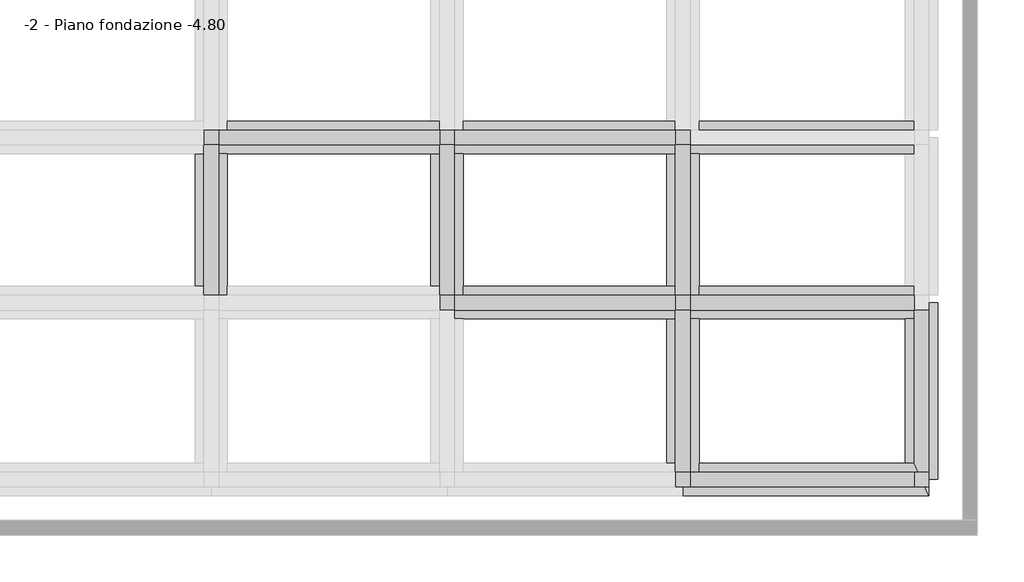
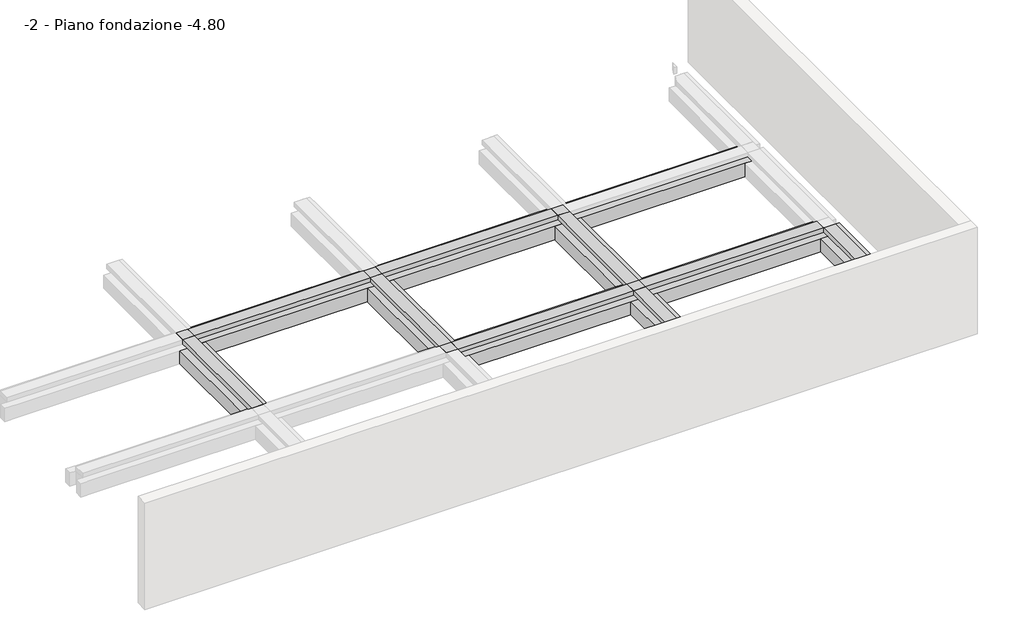
# One storey, part 2 of 3: 21 beams, 7 columns.
"""IFC4 building model written with IfcOpenShell, lengths in millimetres."""

from ifc_helpers import new_model, si_unit, frame, origin, place, context, project, spatial, polyline, outline, extrude, faceted_brep, element, save

model = new_model("IFC4")

# Units and contexts
model_context = context("Model", 3, world=origin())
ifc_project = project(units=[si_unit("LENGTHUNIT", "METRE", prefix="MILLI")], contexts=[model_context])

# Site, building, storey
site = spatial("IfcSite", under=ifc_project)
building = spatial("IfcBuilding", under=site)
storey = spatial("IfcBuildingStorey", under=building, Name="-2 - Piano fondazione -4.80", Elevation=-4800.0)

# Beams
placement = place(None, origin())
element("IfcBeam", 1, ObjectType="3M - Trave in cls - Rettangolare : 3M 1100 x600mm 2", at=placement, inside=storey, context=model_context, shape_type="Brep", body=[
    faceted_brep([(-12706.7371142, -959.905716, -4100.0), (-12156.7371142, -959.905716, -4100.0), (-5256.7371142, -959.905716, -4100.0), (-4706.7371142, -959.905716, -4100.0), (-4706.7371142, -659.905716, -4100.0), (-4956.7371142, -659.905716, -4100.0), (-4956.7371142, -159.905716, -4100.0), (-4706.7371142, -159.905716, -4100.0), (-4706.7371142, 140.094284, -4100.0), (-5256.7371142, 140.094284, -4100.0), (-12156.7371142, 140.094284, -4100.0), (-12156.7371142, -409.905716, -4100.0), (-12456.7371142, -409.905716, -4100.0), (-12456.7371142, -659.905716, -4100.0), (-12706.7371142, -659.905716, -4100.0), (-12706.7371142, -959.905716, -4700.0), (-12156.7371142, -959.905716, -4700.0), (-5256.7371142, -959.905716, -4700.0), (-4706.7371142, -959.905716, -4700.0), (-12706.7371142, -659.905716, -4700.0), (-12456.7371142, -659.905716, -4700.0), (-12456.7371142, -409.905716, -4700.0), (-12156.7371142, -409.905716, -4700.0), (-12156.7371142, 140.094284, -4700.0), (-5256.7371142, 140.094284, -4700.0), (-4706.7371142, 140.094284, -4700.0), (-4706.7371142, -159.905716, -4700.0), (-4956.7371142, -159.905716, -4700.0), (-4956.7371142, -659.905716, -4700.0), (-4706.7371142, -659.905716, -4700.0)], [[[0, 1, 2, 3, 4, 5, 6, 7, 8, 9, 10, 11, 12, 13, 14]], [[3, 2, 1, 0, 15, 16, 17, 18]], [[18, 17, 16, 15, 19, 20, 21, 22, 23, 24, 25, 26, 27, 28, 29]], [[8, 25, 24, 23, 10, 9]], [[22, 11, 10, 23]], [[28, 5, 4, 29]], [[5, 28, 27, 6]], [[6, 27, 26, 7]], [[15, 0, 14, 19]], [[3, 18, 29, 4]], [[11, 22, 21, 12]], [[25, 8, 7, 26]], [[20, 13, 12, 21]], [[13, 20, 19, 14]]]),
])
element("IfcBeam", 2, ObjectType="3M - Trave in cls - Rettangolare : 3M 1100 x600mm 2", at=placement, inside=storey, context=model_context, shape_type="Brep", body=[
    faceted_brep([(-4706.7371142, -959.905716, -4100.0), (-4156.7371142, -959.905716, -4100.0), (2743.2628858, -959.905716, -4100.0), (3293.2628858, -959.905716, -4100.0), (3293.2628858, -659.905716, -4100.0), (3043.2628858, -659.905716, -4100.0), (3043.2628858, -159.905716, -4100.0), (3293.2628858, -159.905716, -4100.0), (3293.2628858, 140.094284, -4100.0), (2743.2628858, 140.094284, -4100.0), (-4156.7371142, 140.094284, -4100.0), (-4156.7371142, -409.905716, -4100.0), (-4456.7371142, -409.905716, -4100.0), (-4456.7371142, -659.905716, -4100.0), (-4706.7371142, -659.905716, -4100.0), (-4706.7371142, -959.905716, -4700.0), (-4156.7371142, -959.905716, -4700.0), (2743.2628858, -959.905716, -4700.0), (3293.2628858, -959.905716, -4700.0), (-4706.7371142, -659.905716, -4700.0), (-4456.7371142, -659.905716, -4700.0), (-4456.7371142, -409.905716, -4700.0), (-4156.7371142, -409.905716, -4700.0), (-4156.7371142, 140.094284, -4700.0), (2743.2628858, 140.094284, -4700.0), (3293.2628858, 140.094284, -4700.0), (3293.2628858, -159.905716, -4700.0), (3043.2628858, -159.905716, -4700.0), (3043.2628858, -659.905716, -4700.0), (3293.2628858, -659.905716, -4700.0)], [[[0, 1, 2, 3, 4, 5, 6, 7, 8, 9, 10, 11, 12, 13, 14]], [[3, 2, 1, 0, 15, 16, 17, 18]], [[18, 17, 16, 15, 19, 20, 21, 22, 23, 24, 25, 26, 27, 28, 29]], [[8, 25, 24, 23, 10, 9]], [[22, 11, 10, 23]], [[28, 5, 4, 29]], [[5, 28, 27, 6]], [[6, 27, 26, 7]], [[15, 0, 14, 19]], [[3, 18, 29, 4]], [[11, 22, 21, 12]], [[25, 8, 7, 26]], [[20, 13, 12, 21]], [[13, 20, 19, 14]]]),
])
element("IfcBeam", 3, ObjectType="3M - Trave in cls - Rettangolare : 3M 1100 x600mm 2", at=placement, inside=storey, context=model_context, shape_type="Brep", body=[
    faceted_brep([(3293.2628858, -959.905716, -4100.0), (3843.2628858, -959.905716, -4100.0), (10843.2628858, -959.905716, -4100.0), (11393.2628858, -959.905716, -4100.0), (11393.2628858, -659.905716, -4100.0), (11143.2628858, -659.905716, -4100.0), (11143.2628858, -159.905716, -4100.0), (11393.2628858, -159.905716, -4100.0), (11393.2628858, -147.205716, -4100.0), (11393.2628858, 140.094284, -4100.0), (10843.2628858, 140.094284, -4100.0), (3843.2628858, 140.094284, -4100.0), (3843.2628858, -409.905716, -4100.0), (3543.2628858, -409.905716, -4100.0), (3543.2628858, -659.905716, -4100.0), (3293.2628858, -659.905716, -4100.0), (3293.2628858, -959.905716, -4700.0), (3843.2628858, -959.905716, -4700.0), (10843.2628858, -959.905716, -4700.0), (11393.2628858, -959.905716, -4700.0), (3293.2628858, -659.905716, -4700.0), (3543.2628858, -659.905716, -4700.0), (3543.2628858, -409.905716, -4700.0), (3843.2628858, -409.905716, -4700.0), (3843.2628858, 140.094284, -4700.0), (10843.2628858, 140.094284, -4700.0), (11393.2628858, 140.094284, -4700.0), (11393.2628858, -147.205716, -4700.0), (11393.2628858, -159.905716, -4700.0), (11143.2628858, -159.905716, -4700.0), (11143.2628858, -659.905716, -4700.0), (11393.2628858, -659.905716, -4700.0), (11393.2628858, -159.905716, -4200.0)], [[[0, 1, 2, 3, 4, 5, 6, 7, 8, 9, 10, 11, 12, 13, 14, 15]], [[3, 2, 1, 0, 16, 17, 18, 19]], [[19, 18, 17, 16, 20, 21, 22, 23, 24, 25, 26, 27, 28, 29, 30, 31]], [[9, 26, 25, 24, 11, 10]], [[23, 12, 11, 24]], [[30, 5, 4, 31]], [[5, 30, 29, 6]], [[6, 29, 28, 32, 7]], [[16, 0, 15, 20]], [[26, 9, 8, 7, 32, 28, 27]], [[12, 23, 22, 13]], [[3, 19, 31, 4]], [[21, 14, 13, 22]], [[14, 21, 20, 15]]]),
])
element("IfcBeam", 4, ObjectType="3M - Trave in cls - Rettangolare : 3M 1100 x600mm 2", at=placement, inside=storey, context=model_context, shape_type="Brep", body=[
    faceted_brep([(-4706.7371142, -6559.905716, -4100.0), (-4156.7371142, -6559.905716, -4100.0), (2743.2628858, -6559.905716, -4100.0), (3293.2628858, -6559.905716, -4100.0), (3293.2628858, -6259.905716, -4100.0), (3043.2628858, -6259.905716, -4100.0), (3043.2628858, -5759.905716, -4100.0), (3293.2628858, -5759.905716, -4100.0), (3293.2628858, -5459.905716, -4100.0), (2743.2628858, -5459.905716, -4100.0), (-4156.7371142, -5459.905716, -4100.0), (-4156.7371142, -6009.905716, -4100.0), (-4456.7371142, -6009.905716, -4100.0), (-4456.7371142, -6259.905716, -4100.0), (-4706.7371142, -6259.905716, -4100.0), (-4706.7371142, -6559.905716, -4700.0), (-4156.7371142, -6559.905716, -4700.0), (2743.2628858, -6559.905716, -4700.0), (3293.2628858, -6559.905716, -4700.0), (-4706.7371142, -6259.905716, -4700.0), (-4456.7371142, -6259.905716, -4700.0), (-4456.7371142, -6009.905716, -4700.0), (-4156.7371142, -6009.905716, -4700.0), (-4156.7371142, -5459.905716, -4700.0), (2743.2628858, -5459.905716, -4700.0), (3293.2628858, -5459.905716, -4700.0), (3293.2628858, -5759.905716, -4700.0), (3043.2628858, -5759.905716, -4700.0), (3043.2628858, -6259.905716, -4700.0), (3293.2628858, -6259.905716, -4700.0)], [[[0, 1, 2, 3, 4, 5, 6, 7, 8, 9, 10, 11, 12, 13, 14]], [[3, 2, 1, 0, 15, 16, 17, 18]], [[18, 17, 16, 15, 19, 20, 21, 22, 23, 24, 25, 26, 27, 28, 29]], [[8, 25, 24, 23, 10, 9]], [[28, 5, 4, 29]], [[5, 28, 27, 6]], [[6, 27, 26, 7]], [[22, 11, 10, 23]], [[15, 0, 14, 19]], [[3, 18, 29, 4]], [[25, 8, 7, 26]], [[11, 22, 21, 12]], [[20, 13, 12, 21]], [[13, 20, 19, 14]]]),
])
element("IfcBeam", 5, ObjectType="3M - Trave in cls - Rettangolare : 3M 1100 x600mm 2", at=placement, inside=storey, context=model_context, shape_type="Brep", body=[
    faceted_brep([(3293.2628858, -6559.905716, -4100.0), (3843.2628858, -6559.905716, -4100.0), (10843.2628858, -6559.905716, -4100.0), (11393.2628858, -6559.905716, -4100.0), (11393.2628858, -6259.905716, -4100.0), (11143.2628858, -6259.905716, -4100.0), (11143.2628858, -5759.905716, -4100.0), (11393.2628858, -5759.905716, -4100.0), (11393.2628858, -5747.205716, -4100.0), (11393.2628858, -5459.905716, -4100.0), (10843.2628858, -5459.905716, -4100.0), (3843.2628858, -5459.905716, -4100.0), (3843.2628858, -6009.905716, -4100.0), (3543.2628858, -6009.905716, -4100.0), (3543.2628858, -6259.905716, -4100.0), (3293.2628858, -6259.905716, -4100.0), (3293.2628858, -6559.905716, -4700.0), (3843.2628858, -6559.905716, -4700.0), (10843.2628858, -6559.905716, -4700.0), (11393.2628858, -6559.905716, -4700.0), (3293.2628858, -6259.905716, -4700.0), (3543.2628858, -6259.905716, -4700.0), (3543.2628858, -6009.905716, -4700.0), (3843.2628858, -6009.905716, -4700.0), (3843.2628858, -5459.905716, -4700.0), (10843.2628858, -5459.905716, -4700.0), (11393.2628858, -5459.905716, -4700.0), (11393.2628858, -5747.205716, -4700.0), (11393.2628858, -5759.905716, -4700.0), (11143.2628858, -5759.905716, -4700.0), (11143.2628858, -6259.905716, -4700.0), (11393.2628858, -6259.905716, -4700.0), (11393.2628858, -5759.905716, -4200.0)], [[[0, 1, 2, 3, 4, 5, 6, 7, 8, 9, 10, 11, 12, 13, 14, 15]], [[3, 2, 1, 0, 16, 17, 18, 19]], [[19, 18, 17, 16, 20, 21, 22, 23, 24, 25, 26, 27, 28, 29, 30, 31]], [[9, 26, 25, 24, 11, 10]], [[23, 12, 11, 24]], [[30, 5, 4, 31]], [[5, 30, 29, 6]], [[6, 29, 28, 32, 7]], [[16, 0, 15, 20]], [[26, 9, 8, 7, 32, 28, 27]], [[12, 23, 22, 13]], [[3, 19, 31, 4]], [[21, 14, 13, 22]], [[14, 21, 20, 15]]]),
])
element("IfcBeam", 6, ObjectType="3M - Trave in cls - Rettangolare : 3M 1100 x600mm 2", at=placement, inside=storey, context=model_context, shape_type="Brep", body=[
    faceted_brep([(3293.2628858, -12559.905716, -4100.0), (11643.2628858, -12559.905716, -4100.0), (11506.8992495, -12259.905716, -4100.0), (11143.2628858, -12259.905716, -4100.0), (11143.2628858, -11759.905716, -4100.0), (11279.6265222, -11759.905716, -4100.0), (11143.2628858, -11459.905716, -4100.0), (10843.2628858, -11459.905716, -4100.0), (3843.2628858, -11459.905716, -4100.0), (3843.2628858, -12009.905716, -4100.0), (3543.2628858, -12009.905716, -4100.0), (3543.2628858, -12259.905716, -4100.0), (3293.2628858, -12259.905716, -4100.0), (3293.2628858, -12559.905716, -4700.0), (11643.2628858, -12559.905716, -4700.0), (3293.2628858, -12259.905716, -4700.0), (3543.2628858, -12259.905716, -4700.0), (3543.2628858, -12009.905716, -4700.0), (3843.2628858, -12009.905716, -4700.0), (3843.2628858, -11459.905716, -4700.0), (10843.2628858, -11459.905716, -4700.0), (11143.2628858, -11459.905716, -4700.0), (11279.6265222, -11759.905716, -4700.0), (11143.2628858, -11759.905716, -4700.0), (11143.2628858, -12259.905716, -4700.0), (11506.8992495, -12259.905716, -4700.0), (11506.8992495, -12259.905716, -4200.0)], [[[0, 1, 2, 3, 4, 5, 6, 7, 8, 9, 10, 11, 12]], [[1, 0, 13, 14]], [[14, 13, 15, 16, 17, 18, 19, 20, 21, 22, 23, 24, 25]], [[6, 21, 20, 19, 8, 7]], [[18, 9, 8, 19]], [[24, 3, 2, 26, 25]], [[3, 24, 23, 4]], [[4, 23, 22, 5]], [[13, 0, 12, 15]], [[21, 6, 5, 22]], [[9, 18, 17, 10]], [[1, 14, 25, 26, 2]], [[16, 11, 10, 17]], [[11, 16, 15, 12]]]),
])
element("IfcBeam", 7, ObjectType="3M - Trave in cls - Rettangolare : 3M 1100 x600mm 2", at=placement, inside=storey, context=model_context, shape_type="Brep", body=[
    faceted_brep([(-12156.7371142, -6009.905716, -4100.0), (-12156.7371142, -5459.905716, -4100.0), (-12156.7371142, -959.905716, -4100.0), (-12706.7371142, -959.905716, -4100.0), (-13256.7371142, -959.905716, -4100.0), (-13256.7371142, -5459.905716, -4100.0), (-12706.7371142, -5459.905716, -4100.0), (-12706.7371142, -5759.905716, -4100.0), (-12456.7371142, -5759.905716, -4100.0), (-12456.7371142, -6009.905716, -4100.0), (-13256.7371142, -959.905716, -4700.0), (-13256.7371142, -5459.905716, -4700.0), (-12156.7371142, -959.905716, -4700.0), (-12156.7371142, -5459.905716, -4700.0), (-12156.7371142, -6009.905716, -4700.0), (-12456.7371142, -6009.905716, -4700.0), (-12456.7371142, -5759.905716, -4700.0), (-12706.7371142, -5759.905716, -4700.0), (-12706.7371142, -5459.905716, -4700.0), (-12706.7371142, -959.905716, -4700.0)], [[[0, 1, 2, 3, 4, 5, 6, 7, 8, 9]], [[4, 10, 11, 5]], [[12, 13, 14, 15, 16, 17, 18, 11, 10, 19]], [[0, 14, 13, 12, 2, 1]], [[10, 4, 3, 2, 12, 19]], [[5, 11, 18, 6]], [[14, 0, 9, 15]], [[6, 18, 17, 7]], [[8, 16, 15, 9]], [[16, 8, 7, 17]]]),
])
element("IfcBeam", 8, ObjectType="3M - Trave in cls - Rettangolare : 3M 1100 x600mm 2", at=placement, inside=storey, context=model_context, shape_type="Brep", body=[
    faceted_brep([(-4156.7371142, -6009.905716, -4100.0), (-4156.7371142, -5459.905716, -4100.0), (-4156.7371142, -959.905716, -4100.0), (-4706.7371142, -959.905716, -4100.0), (-5256.7371142, -959.905716, -4100.0), (-5256.7371142, -5459.905716, -4100.0), (-4706.7371142, -5459.905716, -4100.0), (-4706.7371142, -5759.905716, -4100.0), (-4456.7371142, -5759.905716, -4100.0), (-4456.7371142, -6009.905716, -4100.0), (-5256.7371142, -959.905716, -4700.0), (-5256.7371142, -5459.905716, -4700.0), (-4156.7371142, -959.905716, -4700.0), (-4156.7371142, -5459.905716, -4700.0), (-4156.7371142, -6009.905716, -4700.0), (-4456.7371142, -6009.905716, -4700.0), (-4456.7371142, -5759.905716, -4700.0), (-4706.7371142, -5759.905716, -4700.0), (-4706.7371142, -5459.905716, -4700.0), (-4706.7371142, -959.905716, -4700.0)], [[[0, 1, 2, 3, 4, 5, 6, 7, 8, 9]], [[4, 10, 11, 5]], [[12, 13, 14, 15, 16, 17, 18, 11, 10, 19]], [[0, 14, 13, 12, 2, 1]], [[10, 4, 3, 2, 12, 19]], [[5, 11, 18, 6]], [[14, 0, 9, 15]], [[6, 18, 17, 7]], [[8, 16, 15, 9]], [[16, 8, 7, 17]]]),
])
element("IfcBeam", 9, ObjectType="3M - Trave in cls - Rettangolare : 3M 1100 x600mm 2", at=placement, inside=storey, context=model_context, shape_type="Brep", body=[
    faceted_brep([(3843.2628858, -6009.905716, -4100.0), (3843.2628858, -5459.905716, -4100.0), (3843.2628858, -959.905716, -4100.0), (3293.2628858, -959.905716, -4100.0), (2743.2628858, -959.905716, -4100.0), (2743.2628858, -5459.905716, -4100.0), (3293.2628858, -5459.905716, -4100.0), (3293.2628858, -5759.905716, -4100.0), (3543.2628858, -5759.905716, -4100.0), (3543.2628858, -6009.905716, -4100.0), (2743.2628858, -959.905716, -4700.0), (2743.2628858, -5459.905716, -4700.0), (3843.2628858, -959.905716, -4700.0), (3843.2628858, -5459.905716, -4700.0), (3843.2628858, -6009.905716, -4700.0), (3543.2628858, -6009.905716, -4700.0), (3543.2628858, -5759.905716, -4700.0), (3293.2628858, -5759.905716, -4700.0), (3293.2628858, -5459.905716, -4700.0), (3293.2628858, -959.905716, -4700.0)], [[[0, 1, 2, 3, 4, 5, 6, 7, 8, 9]], [[4, 10, 11, 5]], [[12, 13, 14, 15, 16, 17, 18, 11, 10, 19]], [[0, 14, 13, 12, 2, 1]], [[10, 4, 3, 2, 12, 19]], [[5, 11, 18, 6]], [[14, 0, 9, 15]], [[6, 18, 17, 7]], [[8, 16, 15, 9]], [[16, 8, 7, 17]]]),
])
element("IfcBeam", 10, ObjectType="3M - Trave in cls - Rettangolare : 3M 1100 x600mm 2", at=placement, inside=storey, context=model_context, shape_type="Brep", body=[
    faceted_brep([(3843.2628858, -12009.905716, -4100.0), (3843.2628858, -11459.905716, -4100.0), (3843.2628858, -6559.905716, -4100.0), (3293.2628858, -6559.905716, -4100.0), (2743.2628858, -6559.905716, -4100.0), (2743.2628858, -11459.905716, -4100.0), (3293.2628858, -11459.905716, -4100.0), (3293.2628858, -11759.905716, -4100.0), (3543.2628858, -11759.905716, -4100.0), (3543.2628858, -12009.905716, -4100.0), (2743.2628858, -6559.905716, -4700.0), (2743.2628858, -11459.905716, -4700.0), (3843.2628858, -6559.905716, -4700.0), (3843.2628858, -11459.905716, -4700.0), (3843.2628858, -12009.905716, -4700.0), (3543.2628858, -12009.905716, -4700.0), (3543.2628858, -11759.905716, -4700.0), (3293.2628858, -11759.905716, -4700.0), (3293.2628858, -11459.905716, -4700.0), (3293.2628858, -6559.905716, -4700.0)], [[[0, 1, 2, 3, 4, 5, 6, 7, 8, 9]], [[4, 10, 11, 5]], [[12, 13, 14, 15, 16, 17, 18, 11, 10, 19]], [[0, 14, 13, 12, 2, 1]], [[10, 4, 3, 2, 12, 19]], [[5, 11, 18, 6]], [[14, 0, 9, 15]], [[6, 18, 17, 7]], [[8, 16, 15, 9]], [[16, 8, 7, 17]]]),
])
element("IfcBeam", 11, ObjectType="3M - Trave in cls - Rettangolare : 3M 1100 x600mm 2", at=placement, inside=storey, context=model_context, shape_type="SweptSolid", body=[
    extrude(outline(polyline([(11943.2628858, -6009.905716), (11943.2628858, -12009.905716), (11643.2628858, -12009.905716), (11643.2628858, -11759.905716), (11279.6265222, -11759.905716), (11143.2628858, -11459.905716), (10843.2628858, -11459.905716), (10843.2628858, -6559.905716), (11393.2628858, -6559.905716), (11393.2628858, -6259.905716), (11643.2628858, -6259.905716), (11643.2628858, -6009.905716), (11943.2628858, -6009.905716)])), frame((0.0, 0.0, -4700.0), z_axis=(0.0, 0.0, 1.0), x_axis=(1.0, 0.0, 0.0)), (0.0, 0.0, 1.0), 600.0),
])
element("IfcBeam", 12, ObjectType="3M - Trave in cls - Rettangolare : 3M 500 x600mm", at=placement, inside=storey, context=model_context, shape_type="Brep", body=[
    faceted_brep([(-12456.7371142, -659.905716, -4100.0), (-4956.7371142, -659.905716, -4100.0), (-4956.7371142, -659.905716, -3900.0), (-12456.7371142, -659.905716, -3900.0), (-4956.7371142, -159.905716, -4100.0), (-12456.7371142, -159.905716, -4100.0), (-12456.7371142, -159.905716, -3900.0), (-4956.7371142, -159.905716, -3900.0), (-12456.7371142, -409.905716, -4100.0)], [[[0, 1, 2, 3]], [[4, 5, 6, 7]], [[5, 8, 0, 3, 6]], [[0, 8, 5, 4, 1]], [[1, 4, 7, 2]], [[3, 2, 7, 6]]]),
])
element("IfcBeam", 13, ObjectType="3M - Trave in cls - Rettangolare : 3M 500 x600mm", at=placement, inside=storey, context=model_context, shape_type="Brep", body=[
    faceted_brep([(-4456.7371142, -659.905716, -4100.0), (3043.2628858, -659.905716, -4100.0), (3043.2628858, -659.905716, -3900.0), (-4456.7371142, -659.905716, -3900.0), (3043.2628858, -159.905716, -4100.0), (-4456.7371142, -159.905716, -4100.0), (-4456.7371142, -159.905716, -3900.0), (3043.2628858, -159.905716, -3900.0), (-4456.7371142, -409.905716, -4100.0)], [[[0, 1, 2, 3]], [[4, 5, 6, 7]], [[5, 8, 0, 3, 6]], [[0, 8, 5, 4, 1]], [[1, 4, 7, 2]], [[3, 2, 7, 6]]]),
])
element("IfcBeam", 14, ObjectType="3M - Trave in cls - Rettangolare : 3M 500 x600mm", at=placement, inside=storey, context=model_context, shape_type="Brep", body=[
    faceted_brep([(-4456.7371142, -6259.905716, -4100.0), (3043.2628858, -6259.905716, -4100.0), (3043.2628858, -6259.905716, -3900.0), (-4456.7371142, -6259.905716, -3900.0), (3043.2628858, -5759.905716, -4100.0), (-4456.7371142, -5759.905716, -4100.0), (-4456.7371142, -5759.905716, -3900.0), (3043.2628858, -5759.905716, -3900.0), (-4456.7371142, -6009.905716, -4100.0)], [[[0, 1, 2, 3]], [[4, 5, 6, 7]], [[5, 8, 0, 3, 6]], [[0, 8, 5, 4, 1]], [[1, 4, 7, 2]], [[3, 2, 7, 6]]]),
])
element("IfcBeam", 15, ObjectType="3M - Trave in cls - Rettangolare : 3M 500 x600mm", at=placement, inside=storey, context=model_context, shape_type="Brep", body=[
    faceted_brep([(3543.2628858, -6259.905716, -4100.0), (11143.2628858, -6259.905716, -4100.0), (11143.2628858, -6259.905716, -3900.0), (3543.2628858, -6259.905716, -3900.0), (11143.2628858, -5759.905716, -4100.0), (3543.2628858, -5759.905716, -4100.0), (3543.2628858, -5759.905716, -3900.0), (11143.2628858, -5759.905716, -3900.0), (3543.2628858, -6009.905716, -4100.0)], [[[0, 1, 2, 3]], [[4, 5, 6, 7]], [[5, 8, 0, 3, 6]], [[0, 8, 5, 4, 1]], [[1, 4, 7, 2]], [[3, 2, 7, 6]]]),
])
element("IfcBeam", 16, ObjectType="3M - Trave in cls - Rettangolare : 3M 500 x600mm", at=placement, inside=storey, context=model_context, shape_type="Brep", body=[
    faceted_brep([(3543.2628858, -12259.905716, -4100.0), (11143.2628858, -12259.905716, -4100.0), (11143.2628858, -12259.905716, -3900.0), (3543.2628858, -12259.905716, -3900.0), (11143.2628858, -11759.905716, -4100.0), (3543.2628858, -11759.905716, -4100.0), (3543.2628858, -11759.905716, -3900.0), (11143.2628858, -11759.905716, -3900.0), (3543.2628858, -12009.905716, -4100.0)], [[[0, 1, 2, 3]], [[4, 5, 6, 7]], [[5, 8, 0, 3, 6]], [[0, 8, 5, 4, 1]], [[1, 4, 7, 2]], [[3, 2, 7, 6]]]),
])
element("IfcBeam", 17, ObjectType="3M - Trave in cls - Rettangolare : 3M 500 x600mm", at=placement, inside=storey, context=model_context, shape_type="Brep", body=[
    faceted_brep([(-12956.7371142, -659.905716, -4100.0), (-12956.7371142, -5759.905716, -4100.0), (-12956.7371142, -5759.905716, -3900.0), (-12956.7371142, -659.905716, -3900.0), (-12456.7371142, -5759.905716, -4100.0), (-12456.7371142, -659.905716, -4100.0), (-12456.7371142, -659.905716, -3900.0), (-12456.7371142, -5759.905716, -3900.0), (-12706.7371142, -659.905716, -4100.0), (-12706.7371142, -5759.905716, -4100.0)], [[[0, 1, 2, 3]], [[4, 5, 6, 7]], [[5, 8, 0, 3, 6]], [[0, 8, 5, 4, 9, 1]], [[1, 9, 4, 7, 2]], [[3, 2, 7, 6]]]),
])
element("IfcBeam", 18, ObjectType="3M - Trave in cls - Rettangolare : 3M 500 x600mm", at=placement, inside=storey, context=model_context, shape_type="Brep", body=[
    faceted_brep([(-4956.7371142, -659.905716, -4100.0), (-4956.7371142, -5759.905716, -4100.0), (-4956.7371142, -5759.905716, -3900.0), (-4956.7371142, -659.905716, -3900.0), (-4456.7371142, -5759.905716, -4100.0), (-4456.7371142, -659.905716, -4100.0), (-4456.7371142, -659.905716, -3900.0), (-4456.7371142, -5759.905716, -3900.0), (-4706.7371142, -659.905716, -4100.0), (-4706.7371142, -5759.905716, -4100.0)], [[[0, 1, 2, 3]], [[4, 5, 6, 7]], [[5, 8, 0, 3, 6]], [[0, 8, 5, 4, 9, 1]], [[1, 9, 4, 7, 2]], [[3, 2, 7, 6]]]),
])
element("IfcBeam", 19, ObjectType="3M - Trave in cls - Rettangolare : 3M 500 x600mm", at=placement, inside=storey, context=model_context, shape_type="Brep", body=[
    faceted_brep([(3043.2628858, -659.905716, -4100.0), (3043.2628858, -5759.905716, -4100.0), (3043.2628858, -5759.905716, -3900.0), (3043.2628858, -659.905716, -3900.0), (3543.2628858, -5759.905716, -4100.0), (3543.2628858, -659.905716, -4100.0), (3543.2628858, -659.905716, -3900.0), (3543.2628858, -5759.905716, -3900.0), (3293.2628858, -659.905716, -4100.0), (3293.2628858, -5759.905716, -4100.0)], [[[0, 1, 2, 3]], [[4, 5, 6, 7]], [[5, 8, 0, 3, 6]], [[0, 8, 5, 4, 9, 1]], [[1, 9, 4, 7, 2]], [[3, 2, 7, 6]]]),
])
element("IfcBeam", 20, ObjectType="3M - Trave in cls - Rettangolare : 3M 500 x600mm", at=placement, inside=storey, context=model_context, shape_type="Brep", body=[
    faceted_brep([(3043.2628858, -6259.905716, -4100.0), (3043.2628858, -11759.905716, -4100.0), (3043.2628858, -11759.905716, -3900.0), (3043.2628858, -6259.905716, -3900.0), (3543.2628858, -11759.905716, -4100.0), (3543.2628858, -6259.905716, -4100.0), (3543.2628858, -6259.905716, -3900.0), (3543.2628858, -11759.905716, -3900.0), (3293.2628858, -6259.905716, -4100.0), (3293.2628858, -11759.905716, -4100.0)], [[[0, 1, 2, 3]], [[4, 5, 6, 7]], [[5, 8, 0, 3, 6]], [[0, 8, 5, 4, 9, 1]], [[1, 9, 4, 7, 2]], [[3, 2, 7, 6]]]),
])
element("IfcBeam", 21, ObjectType="3M - Trave in cls - Rettangolare : 3M 500 x600mm", at=placement, inside=storey, context=model_context, shape_type="Brep", body=[
    faceted_brep([(11143.2628858, -6259.905716, -4100.0), (11143.2628858, -6559.905716, -4100.0), (11143.2628858, -11459.905716, -4100.0), (11143.2628858, -11459.905716, -3900.0), (11143.2628858, -6259.905716, -3900.0), (11643.2628858, -11759.905716, -4100.0), (11643.2628858, -6259.905716, -4100.0), (11643.2628858, -6259.905716, -3900.0), (11643.2628858, -11759.905716, -3900.0), (11279.6265222, -11759.905716, -4100.0), (11279.6265222, -11759.905716, -3900.0), (11393.2628858, -6259.905716, -4100.0)], [[[0, 1, 2, 3, 4]], [[5, 6, 7, 8]], [[2, 9, 10, 3]], [[6, 11, 0, 4, 7]], [[1, 0, 11, 6, 5, 9, 2]], [[9, 5, 8, 10]], [[4, 3, 10, 8, 7]]]),
    faceted_brep([(11643.2628858, -12559.905716, -4200.0), (11506.8992495, -12259.905716, -4200.0), (11643.2628858, -12259.905716, -4200.0), (11506.8992495, -12259.905716, -4100.0), (11506.8992495, -12259.905716, -3900.0), (11643.2628858, -12259.905716, -3900.0), (11643.2628858, -12559.905716, -3900.0), (11643.2628858, -12559.905716, -4100.0)], [[[0, 1, 2]], [[2, 1, 3, 4, 5]], [[0, 2, 5, 6, 7]], [[1, 0, 7, 6, 4, 3]], [[5, 4, 6]]]),
])

# Columns
element("IfcColumn", 22, ObjectType="3M - Pilastro in cemento - Rettangolare : 50x50", at=placement, inside=storey, context=model_context, shape_type="Brep", body=[
    faceted_brep([(-12456.7371142, -159.905716, -4800.0), (-12456.7371142, -659.905716, -4800.0), (-12956.7371142, -659.905716, -4800.0), (-12956.7371142, -159.905716, -4800.0), (-12456.7371142, -159.905716, -4700.0), (-12456.7371142, -159.905716, -4100.0), (-12456.7371142, -159.905716, -3900.0), (-12456.7371142, -659.905716, -3900.0), (-12456.7371142, -659.905716, -4100.0), (-12456.7371142, -659.905716, -4700.0), (-12956.7371142, -659.905716, -3900.0), (-12956.7371142, -659.905716, -4100.0), (-12956.7371142, -659.905716, -4700.0), (-12956.7371142, -159.905716, -3900.0), (-12956.7371142, -159.905716, -4100.0), (-12956.7371142, -159.905716, -4700.0)], [[[0, 1, 2, 3]], [[1, 0, 4, 5, 6, 7, 8, 9]], [[2, 1, 9, 8, 7, 10, 11, 12]], [[3, 2, 12, 11, 10, 13, 14, 15]], [[0, 3, 15, 14, 13, 6, 5, 4]], [[7, 6, 13, 10]]]),
])
element("IfcColumn", 23, ObjectType="3M - Pilastro in cemento - Rettangolare : 50x50", at=placement, inside=storey, context=model_context, shape_type="Brep", body=[
    faceted_brep([(-4456.7371142, -159.905716, -4800.0), (-4456.7371142, -659.905716, -4800.0), (-4956.7371142, -659.905716, -4800.0), (-4956.7371142, -159.905716, -4800.0), (-4456.7371142, -159.905716, -4700.0), (-4456.7371142, -159.905716, -4100.0), (-4456.7371142, -159.905716, -3900.0), (-4456.7371142, -659.905716, -3900.0), (-4456.7371142, -659.905716, -4100.0), (-4456.7371142, -659.905716, -4700.0), (-4956.7371142, -659.905716, -3900.0), (-4956.7371142, -659.905716, -4100.0), (-4956.7371142, -659.905716, -4700.0), (-4956.7371142, -159.905716, -3900.0), (-4956.7371142, -159.905716, -4100.0), (-4956.7371142, -159.905716, -4700.0)], [[[0, 1, 2, 3]], [[1, 0, 4, 5, 6, 7, 8, 9]], [[2, 1, 9, 8, 7, 10, 11, 12]], [[3, 2, 12, 11, 10, 13, 14, 15]], [[0, 3, 15, 14, 13, 6, 5, 4]], [[7, 6, 13, 10]]]),
])
element("IfcColumn", 24, ObjectType="3M - Pilastro in cemento - Rettangolare : 50x50", at=placement, inside=storey, context=model_context, shape_type="Brep", body=[
    faceted_brep([(3543.2628858, -159.905716, -4800.0), (3543.2628858, -659.905716, -4800.0), (3043.2628858, -659.905716, -4800.0), (3043.2628858, -159.905716, -4800.0), (3543.2628858, -159.905716, -4700.0), (3543.2628858, -159.905716, -4100.0), (3543.2628858, -159.905716, -3900.0), (3543.2628858, -659.905716, -3900.0), (3543.2628858, -659.905716, -4100.0), (3543.2628858, -659.905716, -4700.0), (3043.2628858, -659.905716, -3900.0), (3043.2628858, -659.905716, -4100.0), (3043.2628858, -659.905716, -4700.0), (3043.2628858, -159.905716, -3900.0), (3043.2628858, -159.905716, -4100.0), (3043.2628858, -159.905716, -4700.0)], [[[0, 1, 2, 3]], [[1, 0, 4, 5, 6, 7, 8, 9]], [[2, 1, 9, 8, 7, 10, 11, 12]], [[3, 2, 12, 11, 10, 13, 14, 15]], [[0, 3, 15, 14, 13, 6, 5, 4]], [[7, 6, 13, 10]]]),
])
element("IfcColumn", 25, ObjectType="3M - Pilastro in cemento - Rettangolare : 50x50", at=placement, inside=storey, context=model_context, shape_type="Brep", body=[
    faceted_brep([(-4456.7371142, -5759.905716, -4800.0), (-4456.7371142, -6259.905716, -4800.0), (-4956.7371142, -6259.905716, -4800.0), (-4956.7371142, -5759.905716, -4800.0), (-4456.7371142, -5759.905716, -4700.0), (-4456.7371142, -5759.905716, -4100.0), (-4456.7371142, -5759.905716, -3900.0), (-4456.7371142, -6259.905716, -3900.0), (-4456.7371142, -6259.905716, -4100.0), (-4456.7371142, -6259.905716, -4700.0), (-4956.7371142, -6259.905716, -3900.0), (-4956.7371142, -6259.905716, -4100.0), (-4956.7371142, -6259.905716, -4700.0), (-4956.7371142, -5759.905716, -3900.0), (-4956.7371142, -5759.905716, -4100.0), (-4956.7371142, -5759.905716, -4700.0)], [[[0, 1, 2, 3]], [[1, 0, 4, 5, 6, 7, 8, 9]], [[2, 1, 9, 8, 7, 10, 11, 12]], [[3, 2, 12, 11, 10, 13, 14, 15]], [[0, 3, 15, 14, 13, 6, 5, 4]], [[7, 6, 13, 10]]]),
])
element("IfcColumn", 26, ObjectType="3M - Pilastro in cemento - Rettangolare : 50x50", at=placement, inside=storey, context=model_context, shape_type="Brep", body=[
    faceted_brep([(3543.2628858, -5759.905716, -4800.0), (3543.2628858, -6259.905716, -4800.0), (3043.2628858, -6259.905716, -4800.0), (3043.2628858, -5759.905716, -4800.0), (3543.2628858, -5759.905716, -4700.0), (3543.2628858, -5759.905716, -4100.0), (3543.2628858, -5759.905716, -3900.0), (3543.2628858, -6259.905716, -3900.0), (3543.2628858, -6259.905716, -4100.0), (3543.2628858, -6259.905716, -4700.0), (3043.2628858, -6259.905716, -3900.0), (3043.2628858, -6259.905716, -4100.0), (3043.2628858, -6259.905716, -4700.0), (3043.2628858, -5759.905716, -3900.0), (3043.2628858, -5759.905716, -4100.0), (3043.2628858, -5759.905716, -4700.0)], [[[0, 1, 2, 3]], [[1, 0, 4, 5, 6, 7, 8, 9]], [[2, 1, 9, 8, 7, 10, 11, 12]], [[3, 2, 12, 11, 10, 13, 14, 15]], [[0, 3, 15, 14, 13, 6, 5, 4]], [[7, 6, 13, 10]]]),
])
element("IfcColumn", 27, ObjectType="3M - Pilastro in cemento - Rettangolare : 50x50", at=placement, inside=storey, context=model_context, shape_type="Brep", body=[
    faceted_brep([(3543.2628858, -11759.905716, -4800.0), (3543.2628858, -12259.905716, -4800.0), (3043.2628858, -12259.905716, -4800.0), (3043.2628858, -11759.905716, -4800.0), (3543.2628858, -11759.905716, -4700.0), (3543.2628858, -11759.905716, -4100.0), (3543.2628858, -11759.905716, -3900.0), (3543.2628858, -12259.905716, -3900.0), (3543.2628858, -12259.905716, -4100.0), (3543.2628858, -12259.905716, -4700.0), (3043.2628858, -12259.905716, -3900.0), (3043.2628858, -12259.905716, -4100.0), (3043.2628858, -12259.905716, -4700.0), (3043.2628858, -11759.905716, -3900.0), (3043.2628858, -11759.905716, -4100.0), (3043.2628858, -11759.905716, -4700.0)], [[[0, 1, 2, 3]], [[1, 0, 4, 5, 6, 7, 8, 9]], [[2, 1, 9, 8, 7, 10, 11, 12]], [[3, 2, 12, 11, 10, 13, 14, 15]], [[0, 3, 15, 14, 13, 6, 5, 4]], [[7, 6, 13, 10]]]),
])
element("IfcColumn", 28, ObjectType="3M - Pilastro in cemento - Rettangolare : 50x50", at=placement, inside=storey, context=model_context, shape_type="Brep", body=[
    faceted_brep([(11643.2628858, -11759.905716, -4800.0), (11643.2628858, -12259.905716, -4800.0), (11143.2628858, -12259.905716, -4800.0), (11143.2628858, -11759.905716, -4800.0), (11643.2628858, -11759.905716, -4700.0), (11643.2628858, -11759.905716, -4100.0), (11643.2628858, -11759.905716, -3900.0), (11643.2628858, -12259.905716, -3900.0), (11143.2628858, -12259.905716, -3900.0), (11143.2628858, -12259.905716, -4100.0), (11143.2628858, -12259.905716, -4700.0), (11143.2628858, -11759.905716, -3900.0), (11143.2628858, -11759.905716, -4100.0), (11143.2628858, -11759.905716, -4700.0)], [[[0, 1, 2, 3]], [[1, 0, 4, 5, 6, 7]], [[2, 1, 7, 8, 9, 10]], [[3, 2, 10, 9, 8, 11, 12, 13]], [[0, 3, 13, 12, 11, 6, 5, 4]], [[7, 6, 11, 8]]]),
])

save(model, "model.ifc")
